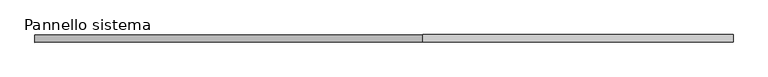
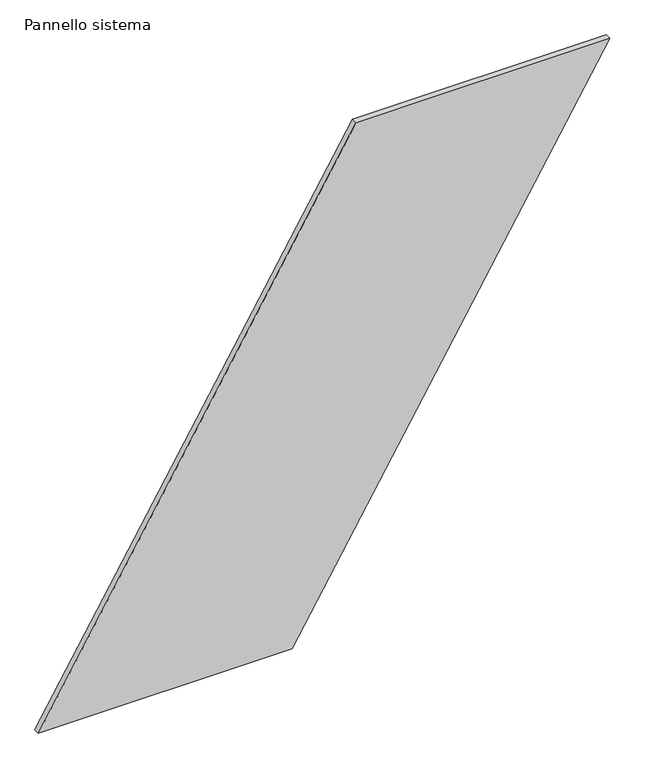
"""IFC4 building model written with IfcOpenShell, lengths in millimetres: plate geometry, Pannello sistema."""

from ifc_helpers import new_model, si_unit, frame, origin, place, context, project, spatial, polyline, outline, extrude, source, transform, mapped, element, save


def pannello_sistema_ecb0291a(model_context):
    return source(origin(), model_context, "Body", "SweptSolid", [
        extrude(outline(polyline([(0.0, -1155.171205), (0.0, -128.8814445), (2158.2984589, 1155.171205), (2158.2984589, 128.8814445), (0.0, -1155.171205)])), frame((0.0, -12.5, 0.0), z_axis=(0.0, 1.0, 0.0), x_axis=(0.0, 0.0, 1.0)), (0.0, 0.0, 1.0), 25.0),
    ])


if __name__ == "__main__":
    model = new_model("IFC4")
    model_context = context("Model", 3, world=origin())
    ifc_project = project(units=[si_unit("LENGTHUNIT", "METRE", prefix="MILLI")], contexts=[model_context])
    site = spatial("IfcSite", under=ifc_project)
    building = spatial("IfcBuilding", under=site)
    placement = place(None, origin())
    pannello_sistema_shape = pannello_sistema_ecb0291a(model_context)
    element("IfcPlate", 1, ObjectType="Pannello sistema", at=placement, inside=building, context=model_context, shape_type="MappedRepresentation", body=[
        mapped(pannello_sistema_shape, transform((0.0, 0.0, 0.0), x_axis=(1.0, 0.0, 0.0), y_axis=(0.0, 1.0, 0.0), z_axis=(0.0, 0.0, 1.0))),
    ])
    save(model, "model.ifc")
